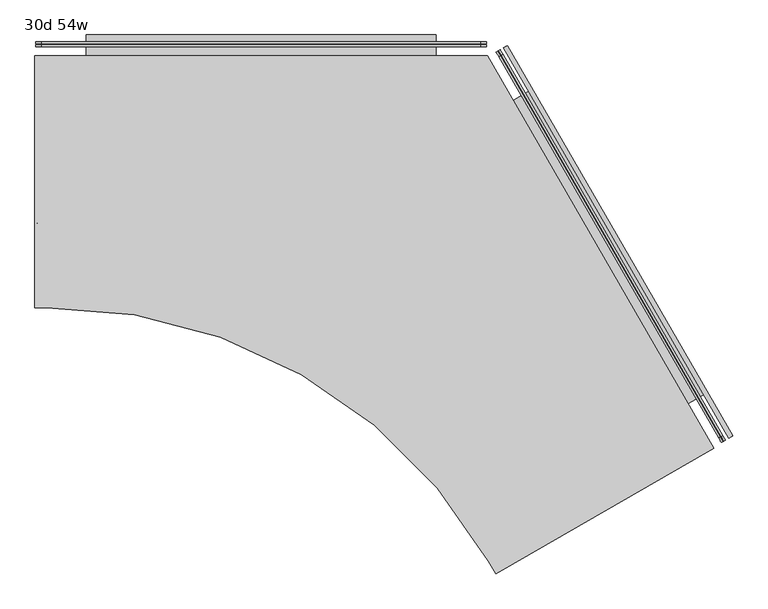
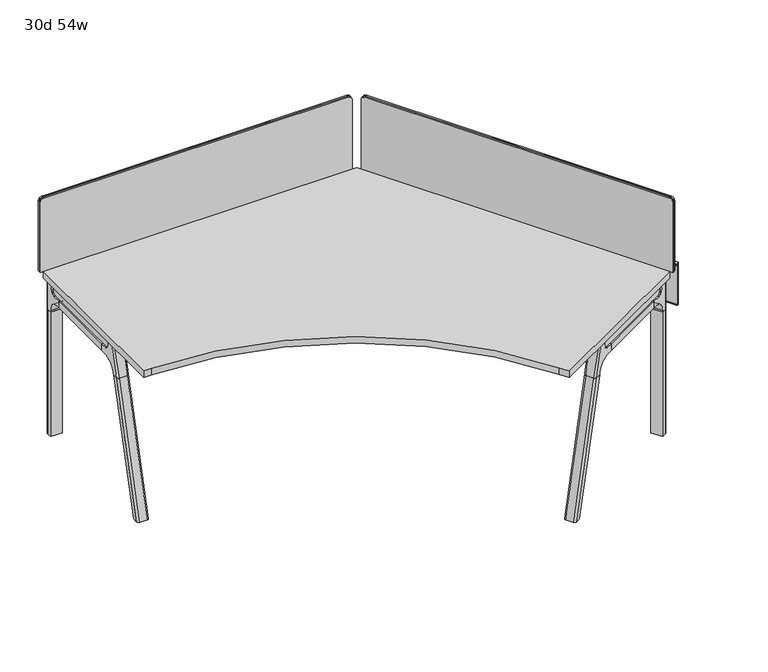
"""IFC4 building model written with IfcOpenShell, lengths in millimetres: furniture geometry, 30d 54w."""

from ifc_helpers import new_model, si_unit, point, frame, frame_2d, origin, place, context, project, spatial, polyline, circle_curve, ellipse_curve, trimmed, segment, composite_curve, outline, extrude, source, transform, mapped, element, save
from ifc_brep_helpers import plane_surface, cylinder_surface, revolved_surface, advanced_brep


def furniture_30d_54w_7c6f42c8(model_context):
    return source(origin(), model_context, "Body", "SolidModel", [
        extrude(outline(composite_curve([segment(polyline([(4600.270945, -1615.210844), (3940.3595873, -1996.210844), (3918.1154631, -1957.6828908)]), True, "CONTINUOUS"), segment(trimmed(circle_curve(frame_2d((2587.2942251, -2726.0328908)), 1536.7), [point((3918.1154631, -1957.6828908))], [point((2576.5573776, -1189.3704002))], True, "CARTESIAN"), True, "CONTINUOUS"), segment(polyline([(2576.5573776, -1189.3704002), (2542.870945, -1189.3704002), (2542.870945, -427.3704002), (3914.470945, -427.3704002), (4600.270945, -1615.210844)]), True, "CONTINUOUS")], self_intersect=False)), frame((0.0, 0.0, 711.2), z_axis=(0.0, 0.0, 1.0), x_axis=(1.0, 0.0, 0.0)), (0.0, 0.0, 1.0), 30.1625),
        advanced_brep(
        [(3900.1963967, -460.0945908, 35.0000007), (3893.2682387, -456.0946169, 35.0000007), (3896.7323177, -458.0946039, 35.0000007), (3900.1963967, -460.0945908, 5.0000003), (3893.2682387, -456.0946169, 5.0000003), (3905.5711745, -463.1977202, 5.0000003), (3887.893461, -452.9914875, 5.0000003), (3906.2585821, -463.5945952, 4.2062503), (3887.2060533, -452.5946125, 4.2062503), (3906.2585821, -463.5945952, 0.79375), (3887.2060533, -452.5946125, 0.79375), (3905.5711745, -463.1977202, 0.0), (3887.893461, -452.9914875, 0.0), (3896.7323177, -458.0946039, 0.0)],
        [
            (0, 1, circle_curve(frame((3896.7323177, -458.0946039, 35.0000007), z_axis=(0.0, 0.0, 1.0), x_axis=(-0.8660254037844346, 0.5000000000000068, 0.0)), 3.9999739)),
            (1, 2),
            (2, 0),
            (1, 0, circle_curve(frame((3896.7323177, -458.0946039, 35.0000007), z_axis=(0.0, 0.0, 1.0), x_axis=(-0.8660254037844346, 0.5000000000000068, 0.0)), 3.9999739)),
            (3, 4, circle_curve(frame((3896.7323177, -458.0946039, 5.0000003), z_axis=(0.0, 0.0, 1.0), x_axis=(-0.8660254037844346, 0.5000000000000068, 0.0)), 3.9999739)),
            (4, 1),
            (0, 3),
            (4, 3, circle_curve(frame((3896.7323177, -458.0946039, 5.0000003), z_axis=(0.0, 0.0, 1.0), x_axis=(-0.8660254037844346, 0.5000000000000068, 0.0)), 3.9999739)),
            (5, 6, circle_curve(frame((3896.7323177, -458.0946039, 5.0000003), z_axis=(0.0, 0.0, 1.0), x_axis=(-0.8660254037844346, 0.5000000000000068, 0.0)), 10.2062326)),
            (6, 4),
            (3, 5),
            (6, 5, circle_curve(frame((3896.7323177, -458.0946039, 5.0000003), z_axis=(0.0, 0.0, 1.0), x_axis=(-0.8660254037844346, 0.5000000000000068, 0.0)), 10.2062326)),
            (7, 8, circle_curve(frame((3896.7323177, -458.0946039, 4.2062503), z_axis=(0.0, 0.0, 1.0), x_axis=(-0.8660254037844346, 0.5000000000000068, 0.0)), 10.9999826)),
            (8, 6, circle_curve(frame((3887.893461, -452.9914875, 4.2062503), z_axis=(0.5000000000000068, 0.8660254037844346, 0.0), x_axis=(0.0, 0.0, -1.0)), 0.79375)),
            (5, 7, circle_curve(frame((3905.5711745, -463.1977202, 4.2062503), z_axis=(0.500000000000004, 0.8660254037844363, 0.0), x_axis=(0.0, 0.0, -1.0)), 0.79375)),
            (8, 7, circle_curve(frame((3896.7323177, -458.0946039, 4.2062503), z_axis=(0.0, 0.0, 1.0), x_axis=(-0.8660254037844346, 0.5000000000000068, 0.0)), 10.9999826)),
            (9, 10, circle_curve(frame((3896.7323177, -458.0946039, 0.79375), z_axis=(0.0, 0.0, 1.0), x_axis=(-0.8660254037844346, 0.5000000000000068, 0.0)), 10.9999826)),
            (10, 8),
            (7, 9),
            (10, 9, circle_curve(frame((3896.7323177, -458.0946039, 0.79375), z_axis=(0.0, 0.0, 1.0), x_axis=(-0.8660254037844346, 0.5000000000000068, 0.0)), 10.9999826)),
            (11, 12, circle_curve(frame((3896.7323177, -458.0946039, 0.0), z_axis=(0.0, 0.0, 1.0), x_axis=(-0.8660254037844346, 0.5000000000000068, 0.0)), 10.2062326)),
            (12, 10, circle_curve(frame((3887.893461, -452.9914875, 0.79375), z_axis=(0.5000000000000068, 0.8660254037844346, 0.0), x_axis=(0.0, 0.0, -1.0)), 0.79375)),
            (9, 11, circle_curve(frame((3905.5711745, -463.1977202, 0.79375), z_axis=(0.500000000000004, 0.8660254037844363, 0.0), x_axis=(0.0, 0.0, -1.0)), 0.79375)),
            (12, 11, circle_curve(frame((3896.7323177, -458.0946039, 0.0), z_axis=(0.0, 0.0, 1.0), x_axis=(-0.8660254037844346, 0.5000000000000068, 0.0)), 10.2062326)),
            (13, 12),
            (11, 13),
        ],
        [
            plane_surface(frame((3896.7323177, -458.0946039, 35.0000007), z_axis=(0.0, 0.0, 1.0), x_axis=(-0.8660254037844347, 0.5000000000000069, 0.0))),
            cylinder_surface(frame((3896.7323177, -458.0946039, 52.3860264), z_axis=(0.0, 0.0, -1.0), x_axis=(-0.8660254037844346, 0.5000000000000068, 0.0)), 3.9999739),
            plane_surface(frame((3896.7323177, -458.0946039, 5.0000003), z_axis=(0.0, 0.0, 1.0), x_axis=(-0.8660254037844347, 0.5000000000000069, 0.0))),
            revolved_surface(trimmed(ellipse_curve(frame((3887.893461, -452.9914875, 4.2062503), z_axis=(-0.5000000000000068, -0.8660254037844346, 0.0), x_axis=(0.0, 0.0, -1.0)), 0.79375, 0.79375), [point((3887.893461, -452.9914875, 5.0000003))], [point((3887.2060533, -452.5946125, 4.2062503))], True, "CARTESIAN"), (3896.7323177, -458.0946039, 52.3860264), (0.0, 0.0, -1.0)),
            cylinder_surface(frame((3896.7323177, -458.0946039, 52.3860264), z_axis=(0.0, 0.0, -1.0), x_axis=(-0.8660254037844346, 0.5000000000000068, 0.0)), 10.9999826),
            revolved_surface(trimmed(ellipse_curve(frame((3887.893461, -452.9914875, 0.79375), z_axis=(-0.5000000000000068, -0.8660254037844346, 0.0), x_axis=(0.0, 0.0, -1.0)), 0.79375, 0.79375), [point((3887.2060533, -452.5946125, 0.79375))], [point((3887.893461, -452.9914875, 0.0))], True, "CARTESIAN"), (3896.7323177, -458.0946039, 52.3860264), (0.0, 0.0, -1.0)),
            plane_surface(frame((3896.7323177, -458.0946039, 0.0), z_axis=(0.0, 0.0, -1.0), x_axis=(-0.8660254037844347, 0.5000000000000069, 0.0))),
        ],
        [
            (0, [[1, 2, 3]]),
            (0, [[4, -3, -2]]),
            (1, [[5, 6, -1, 7]]),
            (1, [[8, -7, -4, -6]]),
            (2, [[9, 10, -5, 11]]),
            (2, [[12, -11, -8, -10]]),
            (3, [[13, 14, -9, 15]]),
            (3, [[16, -15, -12, -14]]),
            (4, [[17, 18, -13, 19]]),
            (4, [[20, -19, -16, -18]]),
            (5, [[21, 22, -17, 23]]),
            (5, [[24, -23, -20, -22]]),
            (6, [[25, -21, 26]]),
            (6, [[-26, -24, -25]]),
        ],
    ),
        extrude(outline(composite_curve([segment(trimmed(circle_curve(frame_2d((3910.3539816, -481.5552641)), 1.4920026), [point((3911.6460938, -482.3012654))], [point((3909.6079803, -482.8473763))], False, "CARTESIAN"), True, "CONTINUOUS"), segment(polyline([(3909.6079803, -482.8473763), (3868.8579567, -459.3203392)]), True, "CONTINUOUS"), segment(trimmed(circle_curve(frame_2d((3869.603958, -458.028227)), 1.4920026), [point((3868.8579567, -459.3203392))], [point((3868.3118459, -457.2822257))], False, "CARTESIAN"), True, "CONTINUOUS"), segment(polyline([(3868.3118459, -457.2822257), (3877.7172574, -440.9915751)]), True, "CONTINUOUS"), segment(trimmed(circle_curve(frame_2d((3886.3098532, -445.9525126)), 9.921875), [point((3877.7172574, -440.9915751))], [point((3891.2707907, -437.3599168))], False, "CARTESIAN"), True, "CONTINUOUS"), segment(polyline([(3891.2707907, -437.3599168), (3917.419847, -452.4570815)]), True, "CONTINUOUS"), segment(trimmed(circle_curve(frame_2d((3912.4589095, -461.0496773)), 9.921875), [point((3917.419847, -452.4570815))], [point((3921.0515053, -466.0106148))], False, "CARTESIAN"), True, "CONTINUOUS"), segment(polyline([(3921.0515053, -466.0106148), (3911.6460938, -482.3012654)]), True, "CONTINUOUS")], self_intersect=False)), frame((0.0, 0.0, 10.7173168), z_axis=(0.0, 0.0, 1.0), x_axis=(1.0, 0.0, 0.0)), (0.0, 0.0, 1.0), 700.4826832),
        extrude(outline(composite_curve([segment(trimmed(circle_curve(frame_2d((0.0, -15.875)), 15.875), [point((0.0, -31.75))], [point((-15.875, -15.875))], False, "CARTESIAN"), True, "CONTINUOUS"), segment(polyline([(-15.875, -15.875), (-15.875, 302.41875), (1343.025, 302.41875), (1343.025, -15.875)]), True, "CONTINUOUS"), segment(trimmed(circle_curve(frame_2d((1327.15, -15.875)), 15.875), [point((1343.025, -15.875))], [point((1327.15, -31.75))], False, "CARTESIAN"), True, "CONTINUOUS"), segment(polyline([(1327.15, -31.75), (0.0, -31.75)]), True, "CONTINUOUS")], self_intersect=False)), frame((3955.1419745, -429.5521898, 1023.14375), z_axis=(0.8660254037844421, 0.4999999999999942, 0.0), x_axis=(0.4999999999999941, -0.8660254037844419, 0.0)), (0.0, 0.0, 1.0), 3.175),
        extrude(outline(composite_curve([segment(trimmed(circle_curve(frame_2d((0.0, -15.875)), 15.875), [point((15.875, -15.875))], [point((0.0, -31.7499999))], False, "CARTESIAN"), True, "CONTINUOUS"), segment(polyline([(0.0, -31.7499999), (-324.64375, -31.7499999), (-324.64375, 1333.5), (0.0, 1333.5)]), True, "CONTINUOUS"), segment(trimmed(circle_curve(frame_2d((0.0, 1317.625)), 15.875), [point((0.0, 1333.5))], [point((15.875, 1317.625))], False, "CARTESIAN"), True, "CONTINUOUS"), segment(polyline([(15.875, 1317.625), (15.875, -15.875)]), True, "CONTINUOUS")], self_intersect=False)), frame((3956.6801209, -443.3288374, 1042.19375), z_axis=(0.8660254037844438, 0.49999999999999145, 0.0), x_axis=(0.0, 0.0, 1.0)), (0.0, 0.0, 1.0), 5.55625),
        extrude(outline(composite_curve([segment(trimmed(circle_curve(frame_2d((0.0, -15.875)), 15.875), [point((0.0, -31.75))], [point((-15.8749999, -15.875))], False, "CARTESIAN"), True, "CONTINUOUS"), segment(polyline([(-15.8749999, -15.875), (-15.8749999, 308.76875), (1349.3750001, 308.76875), (1349.3750001, -15.875)]), True, "CONTINUOUS"), segment(trimmed(circle_curve(frame_2d((1333.5, -15.875)), 15.875), [point((1349.3750001, -15.875))], [point((1333.5, -31.75))], False, "CARTESIAN"), True, "CONTINUOUS"), segment(polyline([(1333.5, -31.75), (0.0, -31.75)]), True, "CONTINUOUS")], self_intersect=False)), frame((3956.3041052, -425.2150591, 1026.31875), z_axis=(0.8660254037844421, 0.4999999999999942, 0.0), x_axis=(0.4999999999999941, -0.8660254037844419, 0.0)), (0.0, 0.0, 1.0), 5.55625),
        extrude(outline(composite_curve([segment(polyline([(1054.89375, 3892.245945), (1054.89375, 2565.095945)]), True, "CONTINUOUS"), segment(trimmed(circle_curve(frame_2d((1039.01875, 2565.095945)), 15.875), [point((1054.89375, 2565.095945))], [point((1039.01875, 2549.220945))], False, "CARTESIAN"), True, "CONTINUOUS"), segment(polyline([(1039.01875, 2549.220945), (720.725, 2549.220945), (720.725, 3908.120945), (1039.01875, 3908.120945)]), True, "CONTINUOUS"), segment(trimmed(circle_curve(frame_2d((1039.01875, 3892.245945)), 15.875), [point((1039.01875, 3908.120945))], [point((1054.89375, 3892.245945))], False, "CARTESIAN"), True, "CONTINUOUS")], self_intersect=False)), frame((0.0, -393.2391502, 0.0), z_axis=(0.0, 1.0, 0.0), x_axis=(0.0, 0.0, 1.0)), (0.0, 0.0, 1.0), 3.175),
        extrude(outline(composite_curve([segment(polyline([(1058.06875, 3895.420945), (1058.06875, 2561.920945)]), True, "CONTINUOUS"), segment(trimmed(circle_curve(frame_2d((1042.19375, 2561.920945)), 15.875), [point((1058.06875, 2561.920945))], [point((1042.19375, 2546.045945))], False, "CARTESIAN"), True, "CONTINUOUS"), segment(polyline([(1042.19375, 2546.045945), (717.55, 2546.045945), (717.55, 3911.295945), (1042.19375, 3911.295945)]), True, "CONTINUOUS"), segment(trimmed(circle_curve(frame_2d((1042.19375, 3895.420945)), 15.875), [point((1042.19375, 3911.295945))], [point((1058.06875, 3895.420945))], False, "CARTESIAN"), True, "CONTINUOUS")], self_intersect=False)), frame((0.0, -390.0641502, 0.0), z_axis=(0.0, 1.0, 0.0), x_axis=(0.0, 0.0, 1.0)), (0.0, 0.0, 1.0), 5.55625),
        extrude(outline(composite_curve([segment(polyline([(1058.06875, 3895.420945), (1058.06875, 2561.920945)]), True, "CONTINUOUS"), segment(trimmed(circle_curve(frame_2d((1042.19375, 2561.920945)), 15.875), [point((1058.06875, 2561.920945))], [point((1042.19375, 2546.045945))], False, "CARTESIAN"), True, "CONTINUOUS"), segment(polyline([(1042.19375, 2546.045945), (717.55, 2546.045945), (717.55, 3911.295945), (1042.19375, 3911.295945)]), True, "CONTINUOUS"), segment(trimmed(circle_curve(frame_2d((1042.19375, 3895.420945)), 15.875), [point((1042.19375, 3911.295945))], [point((1058.06875, 3895.420945))], False, "CARTESIAN"), True, "CONTINUOUS")], self_intersect=False)), frame((0.0, -398.7954002, 0.0), z_axis=(0.0, 1.0, 0.0), x_axis=(0.0, 0.0, 1.0)), (0.0, 0.0, 1.0), 5.55625),
        advanced_brep(
        [(4557.95383, -1632.3102933, 711.2), (4550.1092846, -1636.8393437, 677.3947076), (4536.8295883, -1644.50638, 665.6284599), (4505.6707256, -1662.4959577, 665.6284599), (4505.6707256, -1662.4959577, 635.6476591), (4515.2944329, -1656.9397077, 635.6476591), (4559.2885234, -1631.5397077, 584.8476591), (4559.2885234, -1631.5397077, 576.659375), (4578.535938, -1620.4272077, 576.659375), (4578.535938, -1620.4272077, 711.2), (4533.8885234, -1587.5456172, 576.659375), (4533.8885234, -1587.5456172, 584.8476591), (4489.8944329, -1612.9456172, 635.6476591), (4480.2707256, -1618.5018672, 635.6476591), (4480.2707256, -1618.5018672, 665.6284599), (4511.4295883, -1600.5122895, 665.6284599), (4524.7092846, -1592.8452532, 677.3947076), (4532.55383, -1588.3162028, 711.2), (4553.135938, -1576.4331172, 711.2), (4553.135938, -1576.4331172, 576.659375), (4582.02233, -1607.4158157, 711.2), (4566.14733, -1579.9195092, 711.2), (4566.14733, -1579.9195092, 576.659375), (4582.02233, -1607.4158157, 576.659375)],
        [
            (0, 1),
            (1, 2, circle_curve(frame((4536.8295883, -1644.50638, 681.5034599), z_axis=(-0.49999999999999706, 0.8660254037844405, 0.0), x_axis=(0.8660254037844407, 0.49999999999999717, 0.0)), 15.875)),
            (2, 3),
            (3, 4),
            (4, 5),
            (5, 6, circle_curve(frame((4515.2944329, -1656.9397077, 584.8476591), z_axis=(-0.49999999999999706, 0.8660254037844405, 0.0), x_axis=(0.8660254037844407, 0.49999999999999717, 0.0)), 50.8)),
            (6, 7),
            (7, 8),
            (8, 9),
            (9, 0),
            (10, 11),
            (11, 12, circle_curve(frame((4489.8944329, -1612.9456172, 584.8476591), z_axis=(0.49999999999999706, -0.8660254037844405, 0.0), x_axis=(0.8660254037844407, 0.49999999999999717, 0.0)), 50.8)),
            (12, 13),
            (13, 14),
            (14, 15),
            (15, 16, circle_curve(frame((4511.4295883, -1600.5122895, 681.5034599), z_axis=(0.49999999999999706, -0.8660254037844405, 0.0), x_axis=(0.8660254037844407, 0.49999999999999717, 0.0)), 15.875)),
            (16, 17),
            (17, 18),
            (18, 19),
            (19, 10),
            (17, 0),
            (9, 20, circle_curve(frame((4573.773438, -1612.1783157, 711.2), z_axis=(0.0, 0.0, 1.0), x_axis=(-0.49999999999999856, 0.8660254037844399, 0.0)), 9.525)),
            (20, 21),
            (21, 18, circle_curve(frame((4557.898438, -1584.6820092, 711.2), z_axis=(0.0, 0.0, 1.0), x_axis=(-0.49999999999999856, 0.8660254037844399, 0.0)), 9.525)),
            (16, 1),
            (15, 2),
            (14, 3),
            (13, 4),
            (12, 5),
            (7, 10),
            (19, 22, circle_curve(frame((4557.898438, -1584.6820092, 576.659375), z_axis=(0.0, 0.0, -1.0), x_axis=(-0.49999999999999856, 0.8660254037844399, 0.0)), 9.525)),
            (22, 23),
            (23, 8, circle_curve(frame((4573.773438, -1612.1783157, 576.659375), z_axis=(0.0, 0.0, -1.0), x_axis=(-0.49999999999999856, 0.8660254037844399, 0.0)), 9.525)),
            (11, 6),
            (23, 20),
            (21, 22),
        ],
        [
            plane_surface(frame((4592.7833805, -1612.201443, 711.2), z_axis=(0.49999999999999706, -0.8660254037844405, 0.0), x_axis=(-0.8660254037844405, -0.49999999999999706, 0.0))),
            plane_surface(frame((4567.3833805, -1568.2073524, 711.2), z_axis=(-0.49999999999999706, 0.8660254037844405, 0.0), x_axis=(0.8660254037844405, 0.49999999999999706, 0.0))),
            plane_surface(frame((4592.7833805, -1612.201443, 711.2), z_axis=(0.0, 0.0, 1.0000000000000002), x_axis=(-0.4999999999999973, 0.8660254037844404, 0.0))),
            plane_surface(frame((4557.95383, -1632.3102933, 711.2), z_axis=(-0.8365163037378096, -0.48296291314453155, 0.25881904510252085), x_axis=(-0.4999999999999973, 0.8660254037844404, 0.0))),
            revolved_surface(polyline([(4525.177741556309, -1592.5747894501706, 681.5034599), (4550.577741579774, -1636.5688800030623, 681.5034599)]), (4511.4295883, -1600.5122895, 681.5034599), (-0.49999999999999717, 0.8660254037844407, 0.0)),
            plane_surface(frame((4536.8295883, -1644.50638, 665.6284599), z_axis=(0.0, 0.0, 1.0000000000000002), x_axis=(-0.4999999999999973, 0.8660254037844404, 0.0))),
            plane_surface(frame((4505.6707256, -1662.4959577, 665.6284599), z_axis=(-0.8660254037844404, -0.4999999999999973, 0.0), x_axis=(-0.4999999999999973, 0.8660254037844404, 0.0))),
            plane_surface(frame((4505.6707256, -1662.4959577, 635.6476591), z_axis=(0.0, 0.0, -1.0000000000000002), x_axis=(-0.4999999999999973, 0.8660254037844404, 0.0))),
            plane_surface(frame((4559.2885234, -1631.5397077, 576.659375), z_axis=(0.0, 0.0, -1.0000000000000002), x_axis=(-0.4999999999999973, 0.8660254037844404, 0.0))),
            revolved_surface(polyline([(4533.888523409187, -1587.545617194696, 584.8476591), (4559.2885234069445, -1631.539707703063, 584.8476591)]), (4489.8944329, -1612.9456172, 584.8476591), (-0.49999999999999717, 0.8660254037844407, 0.0)),
            plane_surface(frame((4559.2885234, -1631.5397077, 584.8476591), z_axis=(-0.8660254037844404, -0.4999999999999973, 0.0), x_axis=(-0.4999999999999973, 0.8660254037844404, 0.0))),
            cylinder_surface(frame((4573.773438, -1612.1783157, 524.9807374), z_axis=(0.0, 0.0, -1.0), x_axis=(-0.49999999999999856, 0.8660254037844399, 0.0)), 9.525),
            cylinder_surface(frame((4557.898438, -1584.6820092, 524.9807374), z_axis=(0.0, 0.0, -1.0), x_axis=(-0.49999999999999856, 0.8660254037844399, 0.0)), 9.525),
            plane_surface(frame((4566.14733, -1579.9195092, 711.2), z_axis=(0.8660254037844396, 0.49999999999999833, 0.0), x_axis=(0.0, 0.0, -1.0))),
        ],
        [
            (0, [[1, 2, 3, 4, 5, 6, 7, 8, 9, 10]]),
            (1, [[11, 12, 13, 14, 15, 16, 17, 18, 19, 20]]),
            (2, [[21, -10, 22, 23, 24, -18]]),
            (3, [[-1, -21, -17, 25]]),
            (4, [[-2, -25, -16, 26]]),
            (5, [[-3, -26, -15, 27]]),
            (6, [[-4, -27, -14, 28]]),
            (7, [[-5, -28, -13, 29]]),
            (8, [[30, -20, 31, 32, 33, -8]]),
            (9, [[-6, -29, -12, 34]]),
            (10, [[-7, -34, -11, -30]]),
            (11, [[35, -22, -9, -33]]),
            (12, [[36, -31, -19, -24]]),
            (13, [[-35, -32, -36, -23]]),
        ],
    ),
        advanced_brep(
        [(4533.8885234, -1587.5456172, 576.659375), (4559.2885234, -1631.5397077, 576.659375), (4578.535938, -1620.4272077, 576.659375), (4582.02233, -1607.4158157, 576.659375), (4566.14733, -1579.9195092, 576.659375), (4553.135938, -1576.4331172, 576.659375), (4533.8885234, -1587.5456172, 0.0), (4553.135938, -1576.4331172, 0.0), (4566.14733, -1579.9195092, 0.0), (4582.02233, -1607.4158157, 0.0), (4578.535938, -1620.4272077, 0.0), (4559.2885234, -1631.5397077, 0.0), (4578.535938, -1620.4272077, 524.9807374), (4582.02233, -1607.4158157, 524.9807374), (4566.14733, -1579.9195092, 524.9807374), (4553.135938, -1576.4331172, 524.9807374)],
        [
            (0, 1),
            (1, 2),
            (2, 3, circle_curve(frame((4573.773438, -1612.1783157, 576.659375), z_axis=(0.0, 0.0, 1.0), x_axis=(-0.49999999999999856, 0.8660254037844399, 0.0)), 9.525)),
            (3, 4),
            (4, 5, circle_curve(frame((4557.898438, -1584.6820092, 576.659375), z_axis=(0.0, 0.0, 1.0), x_axis=(-0.49999999999999856, 0.8660254037844399, 0.0)), 9.525)),
            (5, 0),
            (6, 7),
            (7, 8, circle_curve(frame((4557.898438, -1584.6820092, 0.0), z_axis=(0.0, 0.0, -1.0), x_axis=(-0.49999999999999856, 0.8660254037844399, 0.0)), 9.525)),
            (8, 9),
            (9, 10, circle_curve(frame((4573.773438, -1612.1783157, 0.0), z_axis=(0.0, 0.0, -1.0), x_axis=(-0.49999999999999856, 0.8660254037844399, 0.0)), 9.525)),
            (10, 11),
            (11, 6),
            (0, 6),
            (11, 1),
            (10, 12),
            (12, 2),
            (9, 13),
            (13, 3),
            (8, 14),
            (14, 4),
            (7, 15),
            (15, 5),
        ],
        [
            plane_surface(frame((4562.8866686, -1637.7718779, 576.659375), z_axis=(0.0, 0.0, 1.0), x_axis=(0.49999999999999833, -0.8660254037844396, 0.0))),
            plane_surface(frame((4562.8866686, -1637.7718779, 0.0), z_axis=(0.0, 0.0, -1.0), x_axis=(-0.49999999999999833, 0.8660254037844396, 0.0))),
            plane_surface(frame((4533.8885234, -1587.5456172, 576.659375), z_axis=(-0.8660254037844396, -0.49999999999999833, 0.0), x_axis=(0.0, 0.0, -1.0))),
            plane_surface(frame((4559.2885234, -1631.5397077, 576.659375), z_axis=(0.49999999999999833, -0.8660254037844396, 0.0), x_axis=(0.0, 0.0, -1.0))),
            cylinder_surface(frame((4573.773438, -1612.1783157, 0.0), z_axis=(0.0, 0.0, 1.0), x_axis=(-0.49999999999999856, 0.8660254037844399, 0.0)), 9.525),
            plane_surface(frame((4582.02233, -1607.4158157, 576.659375), z_axis=(0.8660254037844396, 0.49999999999999833, 0.0), x_axis=(0.0, 0.0, -1.0))),
            cylinder_surface(frame((4557.898438, -1584.6820092, 0.0), z_axis=(0.0, 0.0, 1.0), x_axis=(-0.49999999999999856, 0.8660254037844399, 0.0)), 9.525),
            plane_surface(frame((4553.135938, -1576.4331172, 576.659375), z_axis=(-0.49999999999999833, 0.8660254037844396, 0.0), x_axis=(0.0, 0.0, -1.0))),
        ],
        [
            (0, [[1, 2, 3, 4, 5, 6]]),
            (1, [[7, 8, 9, 10, 11, 12]]),
            (2, [[-1, 13, -12, 14]]),
            (3, [[-2, -14, -11, 15, 16]]),
            (4, [[-3, -16, -15, -10, 17, 18]]),
            (5, [[-4, -18, -17, -9, 19, 20]]),
            (6, [[-5, -20, -19, -8, 21, 22]]),
            (7, [[-6, -22, -21, -7, -13]]),
        ],
    ),
        advanced_brep(
        [(4176.3623326, -1852.6222471, 711.2), (4157.7717581, -1863.3555203, 711.2), (4127.0723322, -1881.0798421, 576.6820411), (4145.3489062, -1870.5278572, 576.6820411), (4147.5643829, -1869.2487511, 586.2294189), (4203.3391075, -1837.0471988, 635.6476591), (4223.1461756, -1825.6115827, 635.6476591), (4223.1461756, -1825.6115827, 665.6284599), (4197.4865743, -1840.4261604, 665.6284599), (4184.206878, -1848.0931967, 677.3947076), (4119.9489062, -1826.5337667, 576.6820411), (4101.6723322, -1837.0857516, 576.6820411), (4132.3717581, -1819.3614298, 711.2), (4150.9623326, -1808.6281566, 711.2), (4158.806878, -1804.0991062, 677.3947076), (4172.0865743, -1796.4320699, 665.6284599), (4197.7461756, -1781.6174922, 665.6284599), (4197.7461756, -1781.6174922, 635.6476591), (4177.9391075, -1793.0531083, 635.6476591), (4122.1643829, -1825.2546606, 586.2294189), (4127.4887357, -1829.413476, 711.2), (4146.6249195, -1862.5583186, 711.2), (4113.7793266, -1877.7560398, 576.6820411), (4097.9043266, -1850.2597332, 576.6820411)],
        [
            (0, 1),
            (1, 2),
            (2, 3),
            (3, 4),
            (4, 5, circle_curve(frame((4203.3391075, -1837.0471988, 568.9726591), z_axis=(-0.49999999999999695, 0.8660254037844405, 0.0), x_axis=(-0.8660254037844407, -0.49999999999999706, 0.0)), 66.675)),
            (5, 6),
            (6, 7),
            (7, 8),
            (8, 9, circle_curve(frame((4197.4865743, -1840.4261604, 681.5034599), z_axis=(-0.49999999999999695, 0.8660254037844405, 0.0), x_axis=(-0.8660254037844407, -0.49999999999999706, 0.0)), 15.875)),
            (9, 0),
            (10, 11),
            (11, 12),
            (12, 13),
            (13, 14),
            (14, 15, circle_curve(frame((4172.0865743, -1796.4320699, 681.5034599), z_axis=(0.49999999999999695, -0.8660254037844405, 0.0), x_axis=(-0.8660254037844407, -0.49999999999999706, 0.0)), 15.875)),
            (15, 16),
            (16, 17),
            (17, 18),
            (18, 19, circle_curve(frame((4177.9391075, -1793.0531083, 568.9726591), z_axis=(0.49999999999999695, -0.8660254037844405, 0.0), x_axis=(-0.8660254037844407, -0.49999999999999706, 0.0)), 66.675)),
            (19, 10),
            (12, 20, ellipse_curve(frame((4137.1342581, -1827.6103217, 711.2), z_axis=(0.0, 0.0, 1.0), x_axis=(-0.8660254037844412, -0.4999999999999954, 0.0)), 9.8501793, 9.525)),
            (20, 21),
            (21, 1, ellipse_curve(frame((4153.0092581, -1855.1066283, 711.2), z_axis=(0.0, 0.0, 1.0), x_axis=(-0.8660254037844412, -0.4999999999999954, 0.0)), 9.8501793, 9.525)),
            (0, 13),
            (9, 14),
            (8, 15),
            (7, 16),
            (6, 17),
            (5, 18),
            (4, 19),
            (3, 10),
            (2, 22, ellipse_curve(frame((4122.3098322, -1872.8309501, 576.6820411), z_axis=(0.0, 0.0, -1.0), x_axis=(-0.8660254037844412, -0.4999999999999954, 0.0)), 9.8501793, 9.525)),
            (22, 23),
            (23, 11, ellipse_curve(frame((4106.4348322, -1845.3346436, 576.6820411), z_axis=(0.0, 0.0, -1.0), x_axis=(-0.8660254037844412, -0.4999999999999954, 0.0)), 9.8501793, 9.525)),
            (20, 23, ellipse_curve(frame((4614.3756491, -1552.0748762, 2802.3641142), z_axis=(-0.8365163037378097, -0.48296291314453094, 0.25881904510252063), x_axis=(-0.22414386804201397, -0.12940952255125918, -0.9659258262890684)), 2304.1956354, 9.525)),
            (22, 21, ellipse_curve(frame((4630.2506491, -1579.5711828, 2802.3641142), z_axis=(-0.8365163037378097, -0.48296291314453094, 0.25881904510252063), x_axis=(-0.22414386804201397, -0.12940952255125918, -0.9659258262890684)), 2304.1956354, 9.525)),
        ],
        [
            plane_surface(frame((4149.7568276, -1867.9829426, 711.2), z_axis=(0.49999999999999695, -0.8660254037844405, 0.0), x_axis=(0.8660254037844405, 0.49999999999999695, 0.0))),
            plane_surface(frame((4124.3568276, -1823.988852, 711.2), z_axis=(-0.49999999999999695, 0.8660254037844405, 0.0), x_axis=(-0.8660254037844405, -0.49999999999999695, 0.0))),
            plane_surface(frame((4149.7568276, -1867.9829426, 711.2), z_axis=(0.0, 0.0, 1.0), x_axis=(-0.4999999999999967, 0.8660254037844406, 0.0))),
            plane_surface(frame((4176.3623326, -1852.6222471, 711.2), z_axis=(0.8365163037378098, 0.482962913144531, 0.2588190451025208), x_axis=(-0.4999999999999967, 0.8660254037844406, 0.0))),
            revolved_surface(polyline([(4158.3384210149225, -1804.3695699, 681.5034599), (4183.738421038387, -1848.363660452891, 681.5034599)]), (4172.0865743, -1796.4320699, 681.5034599), (-0.49999999999999706, 0.8660254037844407, 0.0)),
            plane_surface(frame((4197.4865743, -1840.4261604, 665.6284599), z_axis=(0.0, 0.0, 1.0), x_axis=(-0.4999999999999967, 0.8660254037844406, 0.0))),
            plane_surface(frame((4223.1461756, -1825.6115827, 665.6284599), z_axis=(0.8660254037844406, 0.4999999999999967, 0.0), x_axis=(-0.4999999999999967, 0.8660254037844406, 0.0))),
            plane_surface(frame((4223.1461756, -1825.6115827, 635.6476591), z_axis=(0.0, 0.0, -1.0), x_axis=(-0.4999999999999967, 0.8660254037844406, 0.0))),
            revolved_surface(polyline([(4120.196863702673, -1826.3906083, 568.9726591), (4145.596863713915, -1870.384698831722, 568.9726591)]), (4177.9391075, -1793.0531083, 568.9726591), (-0.49999999999999706, 0.8660254037844407, 0.0)),
            plane_surface(frame((4147.5643829, -1869.2487511, 586.2294189), z_axis=(0.8365163037378107, 0.4829629131445315, -0.2588190451025171), x_axis=(-0.4999999999999967, 0.8660254037844406, 0.0))),
            plane_surface(frame((4145.3489062, -1870.5278572, 576.6820411), z_axis=(0.0, 0.0, -1.0), x_axis=(-0.4999999999999967, 0.8660254037844406, 0.0))),
            plane_surface(frame((4118.5418266, -1886.0049318, 576.6820411), z_axis=(-0.8365163037378099, -0.48296291314453105, 0.2588190451025207), x_axis=(-0.4999999999999967, 0.8660254037844406, 0.0))),
            cylinder_surface(frame((3990.1466524, -1949.1353976, -2.4271979), z_axis=(-0.2206839923176003, -0.1274119623704063, -0.966987470125486), x_axis=(-0.49999999999999567, 0.8660254037844415, 0.0)), 9.525),
            cylinder_surface(frame((3974.2716524, -1921.639091, -2.4271979), z_axis=(-0.2206839923176003, -0.1274119623704063, -0.966987470125486), x_axis=(-0.49999999999999567, 0.8660254037844415, 0.0)), 9.525),
        ],
        [
            (0, [[1, 2, 3, 4, 5, 6, 7, 8, 9, 10]]),
            (1, [[11, 12, 13, 14, 15, 16, 17, 18, 19, 20]]),
            (2, [[-13, 21, 22, 23, -1, 24]]),
            (3, [[25, -14, -24, -10]]),
            (4, [[26, -15, -25, -9]]),
            (5, [[27, -16, -26, -8]]),
            (6, [[28, -17, -27, -7]]),
            (7, [[29, -18, -28, -6]]),
            (8, [[30, -19, -29, -5]]),
            (9, [[31, -20, -30, -4]]),
            (10, [[-3, 32, 33, 34, -11, -31]]),
            (11, [[35, -33, 36, -22]]),
            (12, [[-23, -36, -32, -2]]),
            (13, [[-34, -35, -21, -12]]),
        ],
    ),
        advanced_brep(
        [(4145.3489062, -1870.5278572, 576.6820411), (4127.0723322, -1881.0798421, 576.6820411), (3995.4630828, -1957.0644777, 0.0), (4013.7396568, -1946.5124927, 0.0), (3988.3396568, -1902.5184022, 0.0), (3970.0630828, -1913.0703872, 0.0), (4101.6723322, -1837.0857516, 576.6820411), (4119.9489062, -1826.5337667, 576.6820411), (4097.9043266, -1850.2597332, 576.6820411), (4113.7793266, -1877.7560398, 576.6820411), (3982.1700772, -1953.7406754, 0.0), (3966.2950772, -1926.2443688, 0.0)],
        [
            (0, 1),
            (1, 2),
            (2, 3),
            (3, 0),
            (4, 5),
            (5, 6),
            (6, 7),
            (7, 4),
            (6, 8, ellipse_curve(frame((4106.4348322, -1845.3346436, 576.6820411), z_axis=(0.0, 0.0, 1.0), x_axis=(-0.8660254037844412, -0.4999999999999954, 0.0)), 9.8501793, 9.525)),
            (8, 9),
            (9, 1, ellipse_curve(frame((4122.3098322, -1872.8309501, 576.6820411), z_axis=(0.0, 0.0, 1.0), x_axis=(-0.8660254037844412, -0.4999999999999954, 0.0)), 9.8501793, 9.525)),
            (0, 7),
            (3, 4),
            (2, 10, ellipse_curve(frame((3990.7005828, -1948.8155857, 0.0), z_axis=(0.0, 0.0, -1.0), x_axis=(-0.8660254037844413, -0.4999999999999955, 0.0)), 9.8501793, 9.525)),
            (10, 11),
            (11, 5, ellipse_curve(frame((3974.8255828, -1921.3192791, 0.0), z_axis=(0.0, 0.0, -1.0), x_axis=(-0.8660254037844413, -0.4999999999999955, 0.0)), 9.8501793, 9.525)),
            (8, 11),
            (10, 9),
        ],
        [
            plane_surface(frame((4118.5418266, -1886.0049318, 576.6820411), z_axis=(0.49999999999999695, -0.8660254037844405, 0.0), x_axis=(0.8660254037844405, 0.49999999999999695, 0.0))),
            plane_surface(frame((4093.1418266, -1842.0108413, 576.6820411), z_axis=(-0.49999999999999695, 0.8660254037844405, 0.0), x_axis=(-0.8660254037844405, -0.49999999999999695, 0.0))),
            plane_surface(frame((4118.5418266, -1886.0049318, 576.6820411), z_axis=(0.0, 0.0, 1.0), x_axis=(-0.4999999999999967, 0.8660254037844406, 0.0))),
            plane_surface(frame((4145.3489062, -1870.5278572, 576.6820411), z_axis=(0.8374357142699173, 0.483493735062739, -0.25482392474082083), x_axis=(-0.4999999999999967, 0.8660254037844406, 0.0))),
            plane_surface(frame((4013.7396568, -1946.5124927, 0.0), z_axis=(0.0, 0.0, -1.0), x_axis=(-0.4999999999999967, 0.8660254037844406, 0.0))),
            plane_surface(frame((3986.9325772, -1961.9895674, 0.0), z_axis=(-0.8374357142699183, -0.48349373506273957, 0.2548239247408167), x_axis=(-0.4999999999999967, 0.8660254037844406, 0.0))),
            cylinder_surface(frame((3990.1466524, -1949.1353976, -2.4271979), z_axis=(-0.2206839923176003, -0.1274119623704063, -0.966987470125486), x_axis=(-0.49999999999999567, 0.8660254037844415, 0.0)), 9.525),
            cylinder_surface(frame((3974.2716524, -1921.639091, -2.4271979), z_axis=(-0.2206839923176003, -0.1274119623704063, -0.966987470125486), x_axis=(-0.49999999999999567, 0.8660254037844415, 0.0)), 9.525),
        ],
        [
            (0, [[1, 2, 3, 4]]),
            (1, [[5, 6, 7, 8]]),
            (2, [[-7, 9, 10, 11, -1, 12]]),
            (3, [[13, -8, -12, -4]]),
            (4, [[-3, 14, 15, 16, -5, -13]]),
            (5, [[17, -15, 18, -10]]),
            (6, [[-11, -18, -14, -2]]),
            (7, [[-16, -17, -9, -6]]),
        ],
    ),
        advanced_brep(
        [(2600.020945, -472.5678215, 711.2), (2600.020945, -481.6259223, 677.3947076), (2600.020945, -496.9599947, 665.6284599), (2600.020945, -532.9391502, 665.6284599), (2600.020945, -532.9391502, 635.6476591), (2600.020945, -521.8266502, 635.6476591), (2600.020945, -471.0266502, 584.8476591), (2600.020945, -471.0266502, 576.659375), (2600.020945, -448.8016502, 576.659375), (2600.020945, -448.8016502, 711.2), (2549.220945, -471.0266502, 576.659375), (2549.220945, -471.0266502, 584.8476591), (2549.220945, -521.8266502, 635.6476591), (2549.220945, -532.9391502, 635.6476591), (2549.220945, -532.9391502, 665.6284599), (2549.220945, -496.9599947, 665.6284599), (2549.220945, -481.6259223, 677.3947076), (2549.220945, -472.5678215, 711.2), (2549.220945, -448.8016502, 711.2), (2549.220945, -448.8016502, 576.659375), (2590.495945, -439.2766502, 711.2), (2558.745945, -439.2766502, 711.2), (2558.745945, -439.2766502, 576.659375), (2590.495945, -439.2766502, 576.659375)],
        [
            (0, 1),
            (1, 2, circle_curve(frame((2600.020945, -496.9599947, 681.5034599), z_axis=(-1.0, 0.0, 0.0), x_axis=(0.0, 1.0, 0.0)), 15.875)),
            (2, 3),
            (3, 4),
            (4, 5),
            (5, 6, circle_curve(frame((2600.020945, -521.8266502, 584.8476591), z_axis=(-1.0, 0.0, 0.0), x_axis=(0.0, 1.0, 0.0)), 50.8)),
            (6, 7),
            (7, 8),
            (8, 9),
            (9, 0),
            (10, 11),
            (11, 12, circle_curve(frame((2549.220945, -521.8266502, 584.8476591), z_axis=(1.0, 0.0, 0.0), x_axis=(0.0, 1.0, 0.0)), 50.8)),
            (12, 13),
            (13, 14),
            (14, 15),
            (15, 16, circle_curve(frame((2549.220945, -496.9599947, 681.5034599), z_axis=(1.0, 0.0, 0.0), x_axis=(0.0, 1.0, 0.0)), 15.875)),
            (16, 17),
            (17, 18),
            (18, 19),
            (19, 10),
            (17, 0),
            (9, 20, circle_curve(frame((2590.495945, -448.8016502, 711.2), z_axis=(0.0, 0.0, 1.0), x_axis=(-1.0, 0.0, 0.0)), 9.525)),
            (20, 21),
            (21, 18, circle_curve(frame((2558.745945, -448.8016502, 711.2), z_axis=(0.0, 0.0, 1.0), x_axis=(-1.0, 0.0, 0.0)), 9.525)),
            (16, 1),
            (15, 2),
            (14, 3),
            (13, 4),
            (12, 5),
            (7, 10),
            (19, 22, circle_curve(frame((2558.745945, -448.8016502, 576.659375), z_axis=(0.0, 0.0, -1.0), x_axis=(-1.0, 0.0, 0.0)), 9.525)),
            (22, 23),
            (23, 8, circle_curve(frame((2590.495945, -448.8016502, 576.659375), z_axis=(0.0, 0.0, -1.0), x_axis=(-1.0, 0.0, 0.0)), 9.525)),
            (11, 6),
            (23, 20),
            (21, 22),
        ],
        [
            plane_surface(frame((2600.020945, -432.3501207, 711.2), z_axis=(1.0, 0.0, 0.0), x_axis=(0.0, -1.0, 0.0))),
            plane_surface(frame((2549.220945, -432.3501207, 711.2), z_axis=(-1.0, 0.0, 0.0), x_axis=(0.0, 1.0, 0.0))),
            plane_surface(frame((2600.020945, -432.3501207, 711.2), z_axis=(0.0, 0.0, 1.0), x_axis=(-1.0, 0.0, 0.0))),
            plane_surface(frame((2600.020945, -472.5678215, 711.2), z_axis=(0.0, -0.9659258262890683, 0.2588190451025207), x_axis=(-1.0, 0.0, 0.0))),
            revolved_surface(polyline([(2549.220945, -481.0849947, 681.5034599), (2600.020945, -481.0849947, 681.5034599)]), (2549.220945, -496.9599947, 681.5034599), (-1.0, 0.0, 0.0)),
            plane_surface(frame((2600.020945, -496.9599947, 665.6284599), z_axis=(0.0, 0.0, 1.0), x_axis=(-1.0, 0.0, 0.0))),
            plane_surface(frame((2600.020945, -532.9391502, 665.6284599), z_axis=(0.0, -1.0, 0.0), x_axis=(-1.0, 0.0, 0.0))),
            plane_surface(frame((2600.020945, -532.9391502, 635.6476591), z_axis=(0.0, 0.0, -1.0), x_axis=(-1.0, 0.0, 0.0))),
            plane_surface(frame((2600.020945, -471.0266502, 576.659375), z_axis=(0.0, 0.0, -1.0), x_axis=(-1.0, 0.0, 0.0))),
            revolved_surface(polyline([(2549.220945, -471.0266502, 584.8476591), (2600.020945, -471.0266502, 584.8476591)]), (2549.220945, -521.8266502, 584.8476591), (-1.0, 0.0, 0.0)),
            plane_surface(frame((2600.020945, -471.0266502, 584.8476591), z_axis=(0.0, -1.0, 0.0), x_axis=(-1.0, 0.0, 0.0))),
            cylinder_surface(frame((2590.495945, -448.8016502, 524.9807374), z_axis=(0.0, 0.0, -1.0), x_axis=(-1.0, 0.0, 0.0)), 9.525),
            cylinder_surface(frame((2558.745945, -448.8016502, 524.9807374), z_axis=(0.0, 0.0, -1.0), x_axis=(-1.0, 0.0, 0.0)), 9.525),
            plane_surface(frame((2558.745945, -439.2766502, 711.2), z_axis=(0.0, 1.0, 0.0), x_axis=(0.0, 0.0, -1.0))),
        ],
        [
            (0, [[1, 2, 3, 4, 5, 6, 7, 8, 9, 10]]),
            (1, [[11, 12, 13, 14, 15, 16, 17, 18, 19, 20]]),
            (2, [[21, -10, 22, 23, 24, -18]]),
            (3, [[-1, -21, -17, 25]]),
            (4, [[-2, -25, -16, 26]]),
            (5, [[-3, -26, -15, 27]]),
            (6, [[-4, -27, -14, 28]]),
            (7, [[-5, -28, -13, 29]]),
            (8, [[30, -20, 31, 32, 33, -8]]),
            (9, [[-6, -29, -12, 34]]),
            (10, [[-7, -34, -11, -30]]),
            (11, [[35, -22, -9, -33]]),
            (12, [[36, -31, -19, -24]]),
            (13, [[-35, -32, -36, -23]]),
        ],
    ),
        advanced_brep(
        [(2549.220945, -471.0266502, 576.659375), (2600.020945, -471.0266502, 576.659375), (2600.020945, -448.8016502, 576.659375), (2590.495945, -439.2766502, 576.659375), (2558.745945, -439.2766502, 576.659375), (2549.220945, -448.8016502, 576.659375), (2549.220945, -471.0266502, 0.0), (2549.220945, -448.8016502, 0.0), (2558.745945, -439.2766502, 0.0), (2590.495945, -439.2766502, 0.0), (2600.020945, -448.8016502, 0.0), (2600.020945, -471.0266502, 0.0), (2600.020945, -448.8016502, 524.9807374), (2590.495945, -439.2766502, 524.9807374), (2558.745945, -439.2766502, 524.9807374), (2549.220945, -448.8016502, 524.9807374)],
        [
            (0, 1),
            (1, 2),
            (2, 3, circle_curve(frame((2590.495945, -448.8016502, 576.659375), z_axis=(0.0, 0.0, 1.0), x_axis=(-1.0, 0.0, 0.0)), 9.525)),
            (3, 4),
            (4, 5, circle_curve(frame((2558.745945, -448.8016502, 576.659375), z_axis=(0.0, 0.0, 1.0), x_axis=(-1.0, 0.0, 0.0)), 9.525)),
            (5, 0),
            (6, 7),
            (7, 8, circle_curve(frame((2558.745945, -448.8016502, 0.0), z_axis=(0.0, 0.0, -1.0), x_axis=(-1.0, 0.0, 0.0)), 9.525)),
            (8, 9),
            (9, 10, circle_curve(frame((2590.495945, -448.8016502, 0.0), z_axis=(0.0, 0.0, -1.0), x_axis=(-1.0, 0.0, 0.0)), 9.525)),
            (10, 11),
            (11, 6),
            (0, 6),
            (11, 1),
            (10, 12),
            (12, 2),
            (9, 13),
            (13, 3),
            (8, 14),
            (14, 4),
            (7, 15),
            (15, 5),
        ],
        [
            plane_surface(frame((2607.2172352, -471.0266502, 576.659375), z_axis=(0.0, 0.0, 1.0), x_axis=(1.0, 0.0, 0.0))),
            plane_surface(frame((2607.2172352, -471.0266502, 0.0), z_axis=(0.0, 0.0, -1.0), x_axis=(-1.0, 0.0, 0.0))),
            plane_surface(frame((2549.220945, -471.0266502, 576.659375), z_axis=(0.0, -1.0, 0.0), x_axis=(0.0, 0.0, -1.0))),
            plane_surface(frame((2600.020945, -471.0266502, 576.659375), z_axis=(1.0, 0.0, 0.0), x_axis=(0.0, 0.0, -1.0))),
            cylinder_surface(frame((2590.495945, -448.8016502, 0.0), z_axis=(0.0, 0.0, 1.0), x_axis=(-1.0, 0.0, 0.0)), 9.525),
            plane_surface(frame((2590.495945, -439.2766502, 576.659375), z_axis=(0.0, 1.0, 0.0), x_axis=(0.0, 0.0, -1.0))),
            cylinder_surface(frame((2558.745945, -448.8016502, 0.0), z_axis=(0.0, 0.0, 1.0), x_axis=(-1.0, 0.0, 0.0)), 9.525),
            plane_surface(frame((2549.220945, -448.8016502, 576.659375), z_axis=(-1.0, 0.0, 0.0), x_axis=(0.0, 0.0, -1.0))),
        ],
        [
            (0, [[1, 2, 3, 4, 5, 6]]),
            (1, [[7, 8, 9, 10, 11, 12]]),
            (2, [[-1, 13, -12, 14]]),
            (3, [[-2, -14, -11, 15, 16]]),
            (4, [[-3, -16, -15, -10, 17, 18]]),
            (5, [[-4, -18, -17, -9, 19, 20]]),
            (6, [[-5, -20, -19, -8, 21, 22]]),
            (7, [[-6, -22, -21, -7, -13]]),
        ],
    ),
        advanced_brep(
        [(2549.220945, -913.191729, 711.2), (2549.220945, -904.1336282, 677.3947076), (2549.220945, -888.7995557, 665.6284599), (2549.220945, -859.1704002, 665.6284599), (2549.220945, -859.1704002, 635.6476591), (2549.220945, -882.0416324, 635.6476591), (2549.220945, -946.4447369, 586.2294189), (2549.220945, -949.0029491, 576.6820411), (2549.220945, -970.106919, 576.6820411), (2549.220945, -934.6582753, 711.2), (2600.020945, -949.0029491, 576.6820411), (2600.020945, -946.4447369, 586.2294189), (2600.020945, -882.0416324, 635.6476591), (2600.020945, -859.1704002, 635.6476591), (2600.020945, -859.1704002, 665.6284599), (2600.020945, -888.7995557, 665.6284599), (2600.020945, -904.1336282, 677.3947076), (2600.020945, -913.191729, 711.2), (2600.020945, -934.6582753, 711.2), (2600.020945, -970.106919, 576.6820411), (2555.4847612, -943.9131199, 711.2), (2593.7571288, -943.9131199, 711.2), (2590.495945, -979.9570983, 576.6820411), (2558.745945, -979.9570983, 576.6820411)],
        [
            (0, 1),
            (1, 2, circle_curve(frame((2549.220945, -888.7995557, 681.5034599), z_axis=(1.0, 0.0, 0.0), x_axis=(0.0, -1.0, 0.0)), 15.875)),
            (2, 3),
            (3, 4),
            (4, 5),
            (5, 6, circle_curve(frame((2549.220945, -882.0416324, 568.9726591), z_axis=(1.0, 0.0, 0.0), x_axis=(0.0, -1.0, 0.0)), 66.675)),
            (6, 7),
            (7, 8),
            (8, 9),
            (9, 0),
            (10, 11),
            (11, 12, circle_curve(frame((2600.020945, -882.0416324, 568.9726591), z_axis=(-1.0, 0.0, 0.0), x_axis=(0.0, -1.0, 0.0)), 66.675)),
            (12, 13),
            (13, 14),
            (14, 15),
            (15, 16, circle_curve(frame((2600.020945, -888.7995557, 681.5034599), z_axis=(-1.0, 0.0, 0.0), x_axis=(0.0, -1.0, 0.0)), 15.875)),
            (16, 17),
            (17, 18),
            (18, 19),
            (19, 10),
            (17, 0),
            (9, 20, ellipse_curve(frame((2558.745945, -934.6582753, 711.2), z_axis=(0.0, 0.0, 1.0), x_axis=(0.0, -1.0, 0.0)), 9.8501793, 9.525)),
            (20, 21),
            (21, 18, ellipse_curve(frame((2590.495945, -934.6582753, 711.2), z_axis=(0.0, 0.0, 1.0), x_axis=(0.0, -1.0, 0.0)), 9.8501793, 9.525)),
            (16, 1),
            (15, 2),
            (14, 3),
            (13, 4),
            (12, 5),
            (11, 6),
            (10, 7),
            (19, 22, ellipse_curve(frame((2590.495945, -970.106919, 576.6820411), z_axis=(0.0, 0.0, -1.0), x_axis=(0.0, -1.0, 0.0)), 9.8501793, 9.525)),
            (22, 23),
            (23, 8, ellipse_curve(frame((2558.745945, -970.106919, 576.6820411), z_axis=(0.0, 0.0, -1.0), x_axis=(0.0, -1.0, 0.0)), 9.8501793, 9.525)),
            (20, 23, ellipse_curve(frame((2558.745945, -383.5873842, 2802.3641142), z_axis=(0.0, -0.9659258262890684, 0.2588190451025206), x_axis=(0.0, -0.2588190451025206, -0.9659258262890684)), 2304.1956354, 9.525)),
            (22, 21, ellipse_curve(frame((2590.495945, -383.5873842, 2802.3641142), z_axis=(0.0, -0.9659258262890684, 0.2588190451025206), x_axis=(0.0, -0.2588190451025206, -0.9659258262890684)), 2304.1956354, 9.525)),
        ],
        [
            plane_surface(frame((2549.220945, -943.9131199, 711.2), z_axis=(-1.0, 0.0, 0.0), x_axis=(0.0, 1.0, 0.0))),
            plane_surface(frame((2600.020945, -943.9131199, 711.2), z_axis=(1.0, 0.0, 0.0), x_axis=(0.0, -1.0, 0.0))),
            plane_surface(frame((2549.220945, -943.9131199, 711.2), z_axis=(0.0, 0.0, 1.0), x_axis=(1.0, 0.0, 0.0))),
            plane_surface(frame((2549.220945, -913.191729, 711.2), z_axis=(0.0, 0.9659258262890683, 0.2588190451025207), x_axis=(1.0, 0.0, 0.0))),
            revolved_surface(polyline([(2600.020945, -904.6745557, 681.5034599), (2549.220945, -904.6745557, 681.5034599)]), (2600.020945, -888.7995557, 681.5034599), (1.0, 0.0, 0.0)),
            plane_surface(frame((2549.220945, -888.7995557, 665.6284599), z_axis=(0.0, 0.0, 1.0), x_axis=(1.0, 0.0, 0.0))),
            plane_surface(frame((2549.220945, -859.1704002, 665.6284599), z_axis=(0.0, 1.0, 0.0), x_axis=(1.0, 0.0, 0.0))),
            plane_surface(frame((2549.220945, -859.1704002, 635.6476591), z_axis=(0.0, 0.0, -1.0), x_axis=(1.0, 0.0, 0.0))),
            revolved_surface(polyline([(2600.020945, -948.7166324, 568.9726591), (2549.220945, -948.7166324, 568.9726591)]), (2600.020945, -882.0416324, 568.9726591), (1.0, 0.0, 0.0)),
            plane_surface(frame((2549.220945, -946.4447369, 586.2294189), z_axis=(0.0, 0.9659258262890693, -0.25881904510251696), x_axis=(1.0, 0.0, 0.0))),
            plane_surface(frame((2549.220945, -949.0029491, 576.6820411), z_axis=(0.0, 0.0, -1.0), x_axis=(1.0, 0.0, 0.0))),
            plane_surface(frame((2549.220945, -979.9570983, 576.6820411), z_axis=(0.0, -0.9659258262890684, 0.2588190451025206), x_axis=(1.0, 0.0, 0.0))),
            cylinder_surface(frame((2558.745945, -1122.7158138, -2.4271979), z_axis=(0.0, -0.25482392474081483, -0.966987470125486), x_axis=(1.0, 0.0, 0.0)), 9.525),
            cylinder_surface(frame((2590.495945, -1122.7158138, -2.4271979), z_axis=(0.0, -0.25482392474081483, -0.966987470125486), x_axis=(1.0, 0.0, 0.0)), 9.525),
        ],
        [
            (0, [[1, 2, 3, 4, 5, 6, 7, 8, 9, 10]]),
            (1, [[11, 12, 13, 14, 15, 16, 17, 18, 19, 20]]),
            (2, [[21, -10, 22, 23, 24, -18]]),
            (3, [[-1, -21, -17, 25]]),
            (4, [[-2, -25, -16, 26]]),
            (5, [[-3, -26, -15, 27]]),
            (6, [[-4, -27, -14, 28]]),
            (7, [[-5, -28, -13, 29]]),
            (8, [[-6, -29, -12, 30]]),
            (9, [[-7, -30, -11, 31]]),
            (10, [[-31, -20, 32, 33, 34, -8]]),
            (11, [[-23, 35, -33, 36]]),
            (12, [[-9, -34, -35, -22]]),
            (13, [[-19, -24, -36, -32]]),
        ],
    ),
        advanced_brep(
        [(2549.220945, -949.0029491, 576.6820411), (2549.220945, -1100.9722202, 0.0), (2549.220945, -1122.0761901, 0.0), (2549.220945, -970.106919, 576.6820411), (2600.020945, -1100.9722202, 0.0), (2600.020945, -949.0029491, 576.6820411), (2600.020945, -970.106919, 576.6820411), (2600.020945, -1122.0761901, 0.0), (2558.745945, -979.9570983, 576.6820411), (2590.495945, -979.9570983, 576.6820411), (2590.495945, -1131.9263695, 0.0), (2558.745945, -1131.9263695, 0.0)],
        [
            (0, 1),
            (1, 2),
            (2, 3),
            (3, 0),
            (4, 5),
            (5, 6),
            (6, 7),
            (7, 4),
            (5, 0),
            (3, 8, ellipse_curve(frame((2558.745945, -970.106919, 576.6820411), z_axis=(0.0, 0.0, 1.0), x_axis=(0.0, -1.0, 0.0)), 9.8501793, 9.525)),
            (8, 9),
            (9, 6, ellipse_curve(frame((2590.495945, -970.106919, 576.6820411), z_axis=(0.0, 0.0, 1.0), x_axis=(0.0, -1.0, 0.0)), 9.8501793, 9.525)),
            (4, 1),
            (7, 10, ellipse_curve(frame((2590.495945, -1122.0761901, 0.0), z_axis=(0.0, 0.0, -1.0), x_axis=(0.0, -1.0, 0.0)), 9.8501793, 9.525)),
            (10, 11),
            (11, 2, ellipse_curve(frame((2558.745945, -1122.0761901, 0.0), z_axis=(0.0, 0.0, -1.0), x_axis=(0.0, -1.0, 0.0)), 9.8501793, 9.525)),
            (8, 11),
            (10, 9),
        ],
        [
            plane_surface(frame((2549.220945, -979.9570983, 576.6820411), z_axis=(-1.0, 0.0, 0.0), x_axis=(0.0, 1.0, 0.0))),
            plane_surface(frame((2600.020945, -979.9570983, 576.6820411), z_axis=(1.0, 0.0, 0.0), x_axis=(0.0, -1.0, 0.0))),
            plane_surface(frame((2549.220945, -979.9570983, 576.6820411), z_axis=(0.0, 0.0, 1.0), x_axis=(1.0, 0.0, 0.0))),
            plane_surface(frame((2549.220945, -949.0029491, 576.6820411), z_axis=(0.0, 0.9669874701254844, -0.2548239247408208), x_axis=(1.0, 0.0, 0.0))),
            plane_surface(frame((2549.220945, -1100.9722202, 0.0), z_axis=(0.0, 0.0, -1.0), x_axis=(1.0, 0.0, 0.0))),
            plane_surface(frame((2549.220945, -1131.9263695, 0.0), z_axis=(0.0, -0.9669874701254855, 0.2548239247408166), x_axis=(1.0, 0.0, 0.0))),
            cylinder_surface(frame((2558.745945, -1122.7158138, -2.4271979), z_axis=(0.0, -0.25482392474081483, -0.966987470125486), x_axis=(1.0, 0.0, 0.0)), 9.525),
            cylinder_surface(frame((2590.495945, -1122.7158138, -2.4271979), z_axis=(0.0, -0.25482392474081483, -0.966987470125486), x_axis=(1.0, 0.0, 0.0)), 9.525),
        ],
        [
            (0, [[1, 2, 3, 4]]),
            (1, [[5, 6, 7, 8]]),
            (2, [[9, -4, 10, 11, 12, -6]]),
            (3, [[-1, -9, -5, 13]]),
            (4, [[-13, -8, 14, 15, 16, -2]]),
            (5, [[-11, 17, -15, 18]]),
            (6, [[-3, -16, -17, -10]]),
            (7, [[-7, -12, -18, -14]]),
        ],
    ),
        extrude(outline(composite_curve([segment(polyline([(-446.88125, 0.0), (0.0, 0.0), (-9.0581008, -33.8052924)]), True, "CONTINUOUS"), segment(trimmed(circle_curve(frame_2d((-24.3921733, -29.6965401)), 15.875), [point((-9.0581008, -33.8052924))], [point((-24.3921733, -45.5715401))], False, "CARTESIAN"), True, "CONTINUOUS"), segment(polyline([(-24.3921733, -45.5715401), (-422.4890767, -45.5715401)]), True, "CONTINUOUS"), segment(trimmed(circle_curve(frame_2d((-422.4890767, -29.6965401)), 15.875), [point((-422.4890767, -45.5715401))], [point((-437.8231492, -33.8052924))], False, "CARTESIAN"), True, "CONTINUOUS"), segment(polyline([(-437.8231492, -33.8052924), (-446.88125, 0.0)]), True, "CONTINUOUS")], self_intersect=False)), frame((4167.7281931, -1850.2748214, 711.2), z_axis=(-0.4999999999999973, 0.8660254037844404, 0.0), x_axis=(-0.8660254037844404, -0.4999999999999973, 0.0)), (0.0, 0.0, 1.0), 38.1),
        extrude(outline(polyline([(4505.6707256, -1662.4959577), (4223.1461756, -1825.6115827), (4197.7461756, -1781.6174922), (4480.2707256, -1618.5018672), (4505.6707256, -1662.4959577)])), frame((0.0, 0.0, 635.6476591), z_axis=(0.0, 0.0, 1.0), x_axis=(1.0, 0.0, 0.0)), (0.0, 0.0, 1.0), 29.9808008),
        extrude(outline(composite_curve([segment(polyline([(-472.6141502, 711.2), (-481.672251, 677.3947076)]), True, "CONTINUOUS"), segment(trimmed(circle_curve(frame_2d((-497.0063235, 681.5034599)), 15.875), [point((-481.672251, 677.3947076))], [point((-497.0063235, 665.6284599))], False, "CARTESIAN"), True, "CONTINUOUS"), segment(polyline([(-497.0063235, 665.6284599), (-895.1032269, 665.6284599)]), True, "CONTINUOUS"), segment(trimmed(circle_curve(frame_2d((-895.1032269, 681.5034599)), 15.875), [point((-895.1032269, 665.6284599))], [point((-910.4372994, 677.3947076))], False, "CARTESIAN"), True, "CONTINUOUS"), segment(polyline([(-910.4372994, 677.3947076), (-919.4954002, 711.2), (-472.6141502, 711.2)]), True, "CONTINUOUS")], self_intersect=False)), frame((2555.570945, 0.0, 0.0), z_axis=(1.0, 0.0, 0.0), x_axis=(0.0, 1.0, 0.0)), (0.0, 0.0, 1.0), 38.1),
        extrude(outline(polyline([(2600.020945, -532.9391502), (2600.020945, -859.1704002), (2549.220945, -859.1704002), (2549.220945, -532.9391502), (2600.020945, -532.9391502)])), frame((0.0, 0.0, 635.6476591), z_axis=(0.0, 0.0, 1.0), x_axis=(1.0, 0.0, 0.0)), (0.0, 0.0, 1.0), 29.9808008),
        extrude(outline(composite_curve([segment(polyline([(-0.79375, 0.0), (0.0, 0.0), (0.0, -121.8019888)]), True, "CONTINUOUS"), segment(trimmed(circle_curve(frame_2d((12.7, -121.8019888)), 12.7), [point((0.0, -121.8019888))], [point((12.7, -134.5019888))], True, "CARTESIAN"), True, "CONTINUOUS"), segment(polyline([(12.7, -134.5019888), (35.853795, -134.5019888), (35.853795, -135.2957388), (12.7, -135.2957388)]), True, "CONTINUOUS"), segment(trimmed(circle_curve(frame_2d((12.7, -121.8019888)), 13.49375), [point((12.7, -135.2957388))], [point((-0.79375, -121.8019888))], False, "CARTESIAN"), True, "CONTINUOUS"), segment(polyline([(-0.79375, -121.8019888), (-0.79375, 0.0)]), True, "CONTINUOUS")], self_intersect=False)), frame((4577.7587369, -1448.5657372, 545.1331017), z_axis=(-0.4999999999999957, 0.8660254037844413, 0.0), x_axis=(0.0, 0.0, 1.0)), (0.0, 0.0, 1.0), 1060.45),
        extrude(outline(polyline([(-195.2451318, 0.0), (1.7780165, 0.0), (1.7780165, -13.4618963), (-7.7469835, -13.4618963), (-7.7469835, -12.6681463), (0.9842665, -12.6681463), (0.9842665, -0.7937499), (-194.4513818, -0.7937499), (-194.4513818, -4.404237), (-195.2451318, -4.404237), (-195.2451318, 0.0)])), frame((4657.772918, -1578.3458902, 739.5844835), z_axis=(-0.4999999999999957, 0.8660254037844413, 0.0), x_axis=(0.0, 0.0, 1.0)), (0.0, 0.0, 1.0), 1365.25),
        extrude(outline(composite_curve([segment(polyline([(-363.5439909, 542.478661), (-485.3459797, 542.478661)]), True, "CONTINUOUS"), segment(trimmed(circle_curve(frame_2d((-485.3459797, 555.972411)), 13.49375), [point((-485.3459797, 542.478661))], [point((-498.8397297, 555.972411))], False, "CARTESIAN"), True, "CONTINUOUS"), segment(polyline([(-498.8397297, 555.972411), (-498.8397297, 579.126206), (-498.0459797, 579.126206), (-498.0459797, 555.972411)]), True, "CONTINUOUS"), segment(trimmed(circle_curve(frame_2d((-485.3459797, 555.972411)), 12.7), [point((-498.0459797, 555.972411))], [point((-485.3459797, 543.272411))], True, "CARTESIAN"), True, "CONTINUOUS"), segment(polyline([(-485.3459797, 543.272411), (-363.5439909, 543.272411), (-363.5439909, 542.478661)]), True, "CONTINUOUS")], self_intersect=False)), frame((2698.445945, 0.0, 0.0), z_axis=(1.0, 0.0, 0.0), x_axis=(0.0, 1.0, 0.0)), (0.0, 0.0, 1.0), 1060.45),
    ])


if __name__ == "__main__":
    model = new_model("IFC4")
    model_context = context("Model", 3, world=origin())
    ifc_project = project(units=[si_unit("LENGTHUNIT", "METRE", prefix="MILLI")], contexts=[model_context])
    site = spatial("IfcSite", under=ifc_project)
    building = spatial("IfcBuilding", under=site)
    placement = place(None, origin())
    furniture_30d_54w_shape = furniture_30d_54w_7c6f42c8(model_context)
    element("IfcFurniture", 1, ObjectType="30d 54w", at=placement, inside=building, context=model_context, shape_type="MappedRepresentation", body=[
        mapped(furniture_30d_54w_shape, transform((0.0, 0.0, 0.0), x_axis=(1.0, 0.0, 0.0), y_axis=(0.0, 1.0, 0.0), z_axis=(0.0, 0.0, 1.0))),
    ])
    save(model, "model.ifc")
